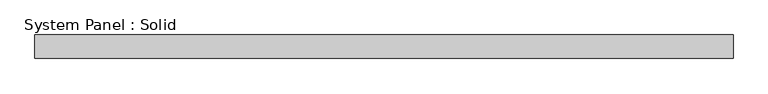
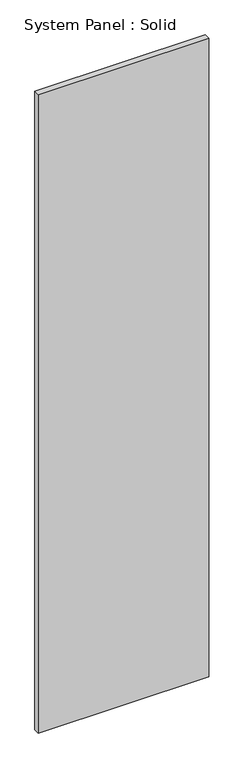
"""IFC4 building model written with IfcOpenShell, lengths in millimetres: plate geometry, System Panel : Solid."""

from ifc_helpers import new_model, si_unit, origin, origin_with_axes, place, context, project, spatial, polyline, outline, extrude, source, transform, mapped, element, save


def system_panel_solid_d72d3780(model_context):
    return source(origin(), model_context, "Body", "SweptSolid", [
        extrude(outline(polyline([(750.0, -25.0), (-750.0, -25.0), (-750.0, 25.0), (750.0, 25.0), (750.0, -25.0)])), origin_with_axes(), (0.0, 0.0, 1.0), 5940.0),
    ])


if __name__ == "__main__":
    model = new_model("IFC4")
    model_context = context("Model", 3, world=origin())
    ifc_project = project(units=[si_unit("LENGTHUNIT", "METRE", prefix="MILLI")], contexts=[model_context])
    site = spatial("IfcSite", under=ifc_project)
    building = spatial("IfcBuilding", under=site)
    placement = place(None, origin())
    system_panel_solid_shape = system_panel_solid_d72d3780(model_context)
    element("IfcPlate", 1, ObjectType="System Panel : Solid", at=placement, inside=building, context=model_context, shape_type="MappedRepresentation", body=[
        mapped(system_panel_solid_shape, transform((0.0, 0.0, 0.0), x_axis=(1.0, 0.0, 0.0), y_axis=(0.0, 1.0, 0.0), z_axis=(0.0, 0.0, 1.0))),
    ])
    save(model, "model.ifc")
